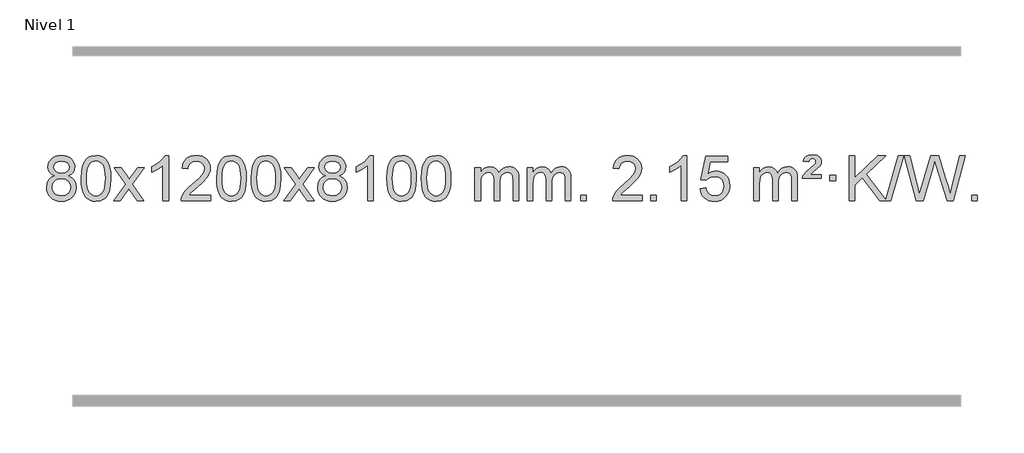
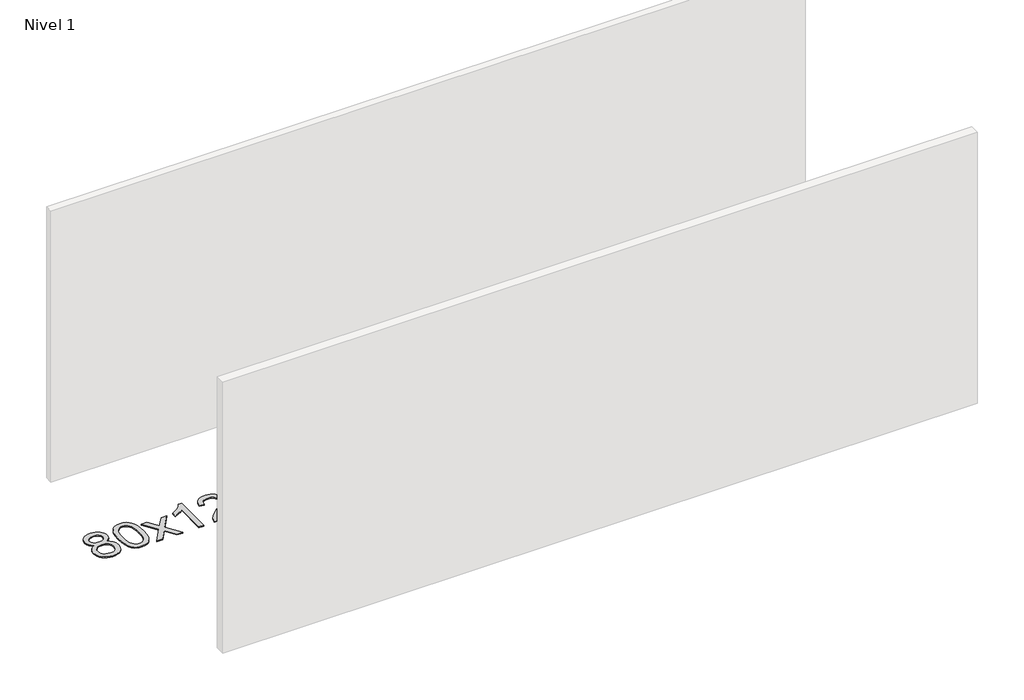
# One storey, part 7 of 8: 1 proxy.
"""IFC4 building model written with IfcOpenShell, lengths in millimetres."""

from ifc_helpers import new_model, si_unit, origin, origin_with_axes, place, context, project, spatial, polyline, outline, extrude, element, save

model = new_model("IFC4")

# Units and contexts
model_context = context("Model", 3, world=origin())
ifc_project = project(units=[si_unit("LENGTHUNIT", "METRE", prefix="MILLI")], contexts=[model_context])

# Site, building, storey
site = spatial("IfcSite", under=ifc_project)
building = spatial("IfcBuilding", under=site)
storey = spatial("IfcBuildingStorey", under=building, Name="Nivel 1", Elevation=0.0)

# Proxy
placement = place(None, origin())
element("IfcBuildingElementProxy", 1, Name="Texto de modelo 1", ObjectType="Texto de modelo 1", at=placement, inside=storey, context=model_context, shape_type="SweptSolid", body=[
    extrude(outline(polyline([(-390.6331687, -6199.2616447), (-417.5253426, -6186.0178929), (-436.3976889, -6168.0652515), (-447.5445134, -6145.7716026), (-451.2601215, -6119.5048281), (-449.2367706, -6099.0199324), (-443.1667176, -6080.2395565), (-433.0499628, -6063.1637006), (-418.886506, -6047.7923645), (-401.3569289, -6035.088173), (-381.1418132, -6026.0137504), (-358.241159, -6020.5690969), (-332.6549663, -6018.7542124), (-306.9461462, -6020.6120165), (-283.8738137, -6026.1854287), (-263.4379689, -6035.4744491), (-245.6386117, -6048.4790776), (-231.2176375, -6064.1508506), (-220.9169416, -6081.4413044), (-214.7365241, -6100.3504389), (-212.6763849, -6120.8782543), (-216.3429421, -6146.2989001), (-227.3426138, -6168.2124043), (-245.7980272, -6186.0546811), (-271.8318097, -6199.2616447), (-240.9174594, -6215.1909351), (-218.415344, -6238.6495436), (-204.6933456, -6268.5092989), (-200.1193462, -6303.6420295), (-202.3879518, -6328.6947933), (-209.1937687, -6351.6628926), (-220.5367969, -6372.5463272), (-236.4170363, -6391.3450971), (-256.0006212, -6406.88198), (-278.4536857, -6417.9797536), (-303.7762297, -6424.6384177), (-331.9682532, -6426.8579724), (-360.1602768, -6424.6292206), (-385.4828208, -6417.9429654), (-407.9358852, -6406.7992066), (-427.5194701, -6391.1979443), (-443.3997096, -6372.26735), (-454.7427377, -6351.135595), (-461.5485547, -6327.8026795), (-463.8171603, -6302.2686033), (-459.0592198, -6265.7747094), (-444.7853984, -6235.7555386), (-421.73146, -6213.2411605), (-390.6331687, -6199.2616447)]), holes=[polyline([(-401.0319665, -6120.9763561), (-396.5805943, -6142.902123), (-383.2264779, -6160.413306), (-361.3620246, -6171.8912243), (-331.379642, -6175.717197), (-302.0962352, -6171.9157497), (-280.5628758, -6160.5114079), (-267.3191239, -6143.5888361), (-262.90454, -6123.232699), (-267.4662767, -6102.1040098), (-281.151487, -6084.629615), (-302.979152, -6072.8941794), (-331.9682532, -6068.9823675), (-361.1412954, -6072.8083402), (-382.9321723, -6084.2862585), (-396.5070179, -6101.1107284), (-401.0319665, -6120.9763561)]), polyline([(-413.5890052, -6300.5027698), (-411.4920778, -6319.7184726), (-405.2012957, -6338.3210389), (-393.5884874, -6354.5446349), (-375.5254815, -6366.623427), (-353.8940201, -6374.1282197), (-331.5758458, -6376.6298173), (-297.3873457, -6371.3691048), (-283.493669, -6364.7932141), (-271.7337079, -6355.5869672), (-255.6940529, -6331.6869002), (-250.3475012, -6302.0723996), (-255.8657312, -6271.9551269), (-272.4204209, -6247.5277625), (-284.4992131, -6238.0854579), (-298.6626699, -6231.3409547), (-333.2435775, -6225.9453521), (-366.953831, -6231.2673783), (-380.6911578, -6237.919911), (-392.3499514, -6247.2334569), (-408.2792418, -6271.1948375), (-413.5890052, -6300.5027698)])]), origin_with_axes(), (0.0, 0.0, 1.0), 10.0),
    extrude(outline(polyline([(-156.1697105, -6222.9041943), (-152.4786278, -6158.5861588), (-141.4053797, -6107.2911459), (-123.0603309, -6068.2343407), (-111.2022679, -6053.0009605), (-97.5538459, -6040.6309284), (-82.0690796, -6031.0598651), (-64.7019837, -6024.2233914), (-24.3208034, -6018.7542124), (6.6303351, -6021.991574), (34.3441121, -6031.7036586), (57.5206778, -6047.5103217), (74.8601825, -6069.0314184), (87.9567815, -6096.0830078), (98.4046302, -6128.4811488), (105.2472353, -6169.6226186), (107.5281037, -6222.9041943), (103.8738092, -6286.8543477), (92.9109257, -6338.0267333), (74.6762415, -6377.1203266), (62.8457697, -6392.3996922), (49.2065447, -6404.8341036), (33.7033843, -6414.4695462), (16.2811061, -6421.3520052), (-24.3208034, -6426.8579724), (-51.9855294, -6424.4667394), (-76.5109958, -6417.2930405), (-97.8972024, -6405.3368757), (-116.1441494, -6388.5982449), (-133.6553324, -6358.3399508), (-146.1633202, -6320.6381776), (-153.6681129, -6275.4929255), (-156.1697105, -6222.9041943)]), holes=[polyline([(-105.9415554, -6222.8060924), (-104.4700274, -6266.4706195), (-100.0554435, -6301.8148822), (-92.6978036, -6328.8388804), (-82.3971077, -6347.5426142), (-69.9381708, -6360.2682656), (-56.1058078, -6369.3580165), (-40.9000186, -6374.8118671), (-24.3208034, -6376.6298173), (-7.7415881, -6374.8057357), (7.464201, -6369.3334911), (21.296564, -6360.2130833), (33.7555009, -6347.4445124), (44.0561968, -6328.7101217), (51.4138367, -6301.6922549), (55.8284206, -6266.3909118), (57.2999486, -6222.8060924), (55.8774716, -6180.2973278), (51.6100404, -6145.5753989), (44.4976552, -6118.6403055), (34.5403158, -6099.4920476), (22.2898454, -6086.1440625), (8.2980668, -6076.6097875), (-7.4350198, -6070.8892225), (-24.9094146, -6068.9823675), (-41.4027907, -6070.6623619), (-56.3510624, -6075.7023452), (-69.7542298, -6084.1023175), (-81.6122928, -6095.8622786), (-92.2563452, -6116.708925), (-99.8592397, -6144.8151094), (-104.4209765, -6180.1808319), (-105.9415554, -6222.8060924)])]), origin_with_axes(), (0.0, 0.0, 1.0), 10.0),
    extrude(outline(polyline([(132.6421812, -6420.579453), (239.9656219, -6272.2494325), (138.9207006, -6125.4890419), (199.3514497, -6125.4890419), (248.1080768, -6196.122385), (270.8677095, -6229.4770192), (290.5861845, -6202.2047007), (346.1118403, -6125.4890419), (406.5425894, -6125.4890419), (300.396371, -6272.2494325), (402.6185147, -6420.579453), (342.1877657, -6420.579453), (280.6778961, -6331.4048574), (269.3961816, -6315.1199477), (193.0729303, -6420.579453), (132.6421812, -6420.579453)])), origin_with_axes(), (0.0, 0.0, 1.0), 10.0),
    extrude(outline(polyline([(622.3666932, -6420.579453), (572.1385381, -6420.579453), (572.1385381, -6107.4382987), (551.1692644, -6124.3976587), (524.5591334, -6141.3324932), (471.682228, -6166.6918254), (471.682228, -6119.2105225), (511.1314406, -6097.7507395), (545.3076779, -6072.219729), (572.2489027, -6045.0700378), (589.9930776, -6018.7542124), (622.3666932, -6018.7542124), (622.3666932, -6420.579453)])), origin_with_axes(), (0.0, 0.0, 1.0), 10.0),
    extrude(outline(polyline([(999.0778563, -6370.3512979), (999.0778563, -6420.579453), (735.3800421, -6420.579453), (736.4836881, -6402.8965918), (740.7756447, -6385.9494945), (753.1610052, -6358.8856424), (771.2853248, -6332.6311307), (797.5030484, -6305.1503456), (834.1686206, -6274.4076736), (888.3699012, -6226.2641831), (920.8906695, -6190.7267824), (937.1510537, -6161.884834), (942.5711818, -6133.8277005), (937.4576221, -6108.6768347), (922.1169429, -6087.7688747), (898.535707, -6073.6789943), (868.7004772, -6068.9823675), (837.3691939, -6073.5686297), (813.0276686, -6087.3274163), (797.3191074, -6109.1796068), (791.8867166, -6138.0460807), (741.6585615, -6131.7675613), (745.9781093, -6105.838012), (753.8354555, -6083.1826125), (765.2306003, -6063.8013627), (780.1635437, -6047.6942627), (798.290929, -6035.0329907), (819.2693997, -6025.989225), (843.098956, -6020.5629655), (869.7795977, -6018.7542124), (896.6993627, -6020.7653006), (920.6576776, -6026.7985654), (941.6545425, -6036.8540066), (959.6899573, -6050.9316242), (974.1753109, -6067.9890861), (984.521992, -6086.9840598), (990.7300007, -6107.9165453), (992.7993369, -6130.7865427), (990.5675194, -6154.8092369), (983.8720671, -6178.4149983), (971.9894787, -6202.4254299), (954.1962528, -6227.6621347), (925.832551, -6257.7916701), (882.2385346, -6296.4805933), (824.4565359, -6344.795762), (801.795005, -6370.3512979), (999.0778563, -6370.3512979)])), origin_with_axes(), (0.0, 0.0, 1.0), 10.0),
    extrude(outline(polyline([(1049.3060113, -6222.9041943), (1052.997094, -6158.5861588), (1064.0703421, -6107.2911459), (1082.4153909, -6068.2343407), (1094.2734539, -6053.0009605), (1107.9218759, -6040.6309284), (1123.4066422, -6031.0598651), (1140.7737381, -6024.2233914), (1181.1549184, -6018.7542124), (1212.1060569, -6021.991574), (1239.8198339, -6031.7036586), (1262.9963996, -6047.5103217), (1280.3359043, -6069.0314184), (1293.4325033, -6096.0830078), (1303.880352, -6128.4811488), (1310.7229571, -6169.6226186), (1313.0038255, -6222.9041943), (1309.349531, -6286.8543477), (1298.3866475, -6338.0267333), (1280.1519633, -6377.1203266), (1268.3214915, -6392.3996922), (1254.6822665, -6404.8341036), (1239.1791061, -6414.4695462), (1221.7568279, -6421.3520052), (1181.1549184, -6426.8579724), (1153.4901924, -6424.4667394), (1128.964726, -6417.2930405), (1107.5785194, -6405.3368757), (1089.3315724, -6388.5982449), (1071.8203894, -6358.3399508), (1059.3124016, -6320.6381776), (1051.8076089, -6275.4929255), (1049.3060113, -6222.9041943)]), holes=[polyline([(1099.5341664, -6222.8060924), (1101.0056944, -6266.4706195), (1105.4202783, -6301.8148822), (1112.7779182, -6328.8388804), (1123.0786141, -6347.5426142), (1135.537551, -6360.2682656), (1149.369914, -6369.3580165), (1164.5757032, -6374.8118671), (1181.1549184, -6376.6298173), (1197.7341337, -6374.8057357), (1212.9399228, -6369.3334911), (1226.7722858, -6360.2130833), (1239.2312227, -6347.4445124), (1249.5319186, -6328.7101217), (1256.8895585, -6301.6922549), (1261.3041424, -6266.3909118), (1262.7756704, -6222.8060924), (1261.3531934, -6180.2973278), (1257.0857622, -6145.5753989), (1249.973377, -6118.6403055), (1240.0160376, -6099.4920476), (1227.7655672, -6086.1440625), (1213.7737886, -6076.6097875), (1198.040702, -6070.8892225), (1180.5663072, -6068.9823675), (1164.0729311, -6070.6623619), (1149.1246594, -6075.7023452), (1135.721492, -6084.1023175), (1123.863429, -6095.8622786), (1113.2193766, -6116.708925), (1105.6164821, -6144.8151094), (1101.0547453, -6180.1808319), (1099.5341664, -6222.8060924)])]), origin_with_axes(), (0.0, 0.0, 1.0), 10.0),
    extrude(outline(polyline([(1356.9534612, -6222.9041943), (1360.6445439, -6158.5861588), (1371.7177919, -6107.2911459), (1390.0628407, -6068.2343407), (1401.9209037, -6053.0009605), (1415.5693257, -6040.6309284), (1431.054092, -6031.0598651), (1448.4211879, -6024.2233914), (1488.8023682, -6018.7542124), (1519.7535068, -6021.991574), (1547.4672837, -6031.7036586), (1570.6438494, -6047.5103217), (1587.9833541, -6069.0314184), (1601.0799532, -6096.0830078), (1611.5278018, -6128.4811488), (1618.3704069, -6169.6226186), (1620.6512753, -6222.9041943), (1616.9969808, -6286.8543477), (1606.0340974, -6338.0267333), (1587.7994131, -6377.1203266), (1575.9689413, -6392.3996922), (1562.3297163, -6404.8341036), (1546.8265559, -6414.4695462), (1529.4042778, -6421.3520052), (1488.8023682, -6426.8579724), (1461.1376422, -6424.4667394), (1436.6121759, -6417.2930405), (1415.2259692, -6405.3368757), (1396.9790222, -6388.5982449), (1379.4678393, -6358.3399508), (1366.9598514, -6320.6381776), (1359.4550587, -6275.4929255), (1356.9534612, -6222.9041943)]), holes=[polyline([(1407.1816162, -6222.8060924), (1408.6531442, -6266.4706195), (1413.0677282, -6301.8148822), (1420.4253681, -6328.8388804), (1430.7260639, -6347.5426142), (1443.1850008, -6360.2682656), (1457.0173639, -6369.3580165), (1472.223153, -6374.8118671), (1488.8023682, -6376.6298173), (1505.3815835, -6374.8057357), (1520.5873726, -6369.3334911), (1534.4197356, -6360.2130833), (1546.8786725, -6347.4445124), (1557.1793684, -6328.7101217), (1564.5370083, -6301.6922549), (1568.9515923, -6266.3909118), (1570.4231202, -6222.8060924), (1569.0006432, -6180.2973278), (1564.733212, -6145.5753989), (1557.6208268, -6118.6403055), (1547.6634875, -6099.4920476), (1535.413017, -6086.1440625), (1521.4212385, -6076.6097875), (1505.6881518, -6070.8892225), (1488.213757, -6068.9823675), (1471.7203809, -6070.6623619), (1456.7721092, -6075.7023452), (1443.3689418, -6084.1023175), (1431.5108789, -6095.8622786), (1420.8668265, -6116.708925), (1413.2639319, -6144.8151094), (1408.7021952, -6180.1808319), (1407.1816162, -6222.8060924)])]), origin_with_axes(), (0.0, 0.0, 1.0), 10.0),
    extrude(outline(polyline([(1645.7653528, -6420.579453), (1753.0887936, -6272.2494325), (1652.0438722, -6125.4890419), (1712.4746213, -6125.4890419), (1761.2312484, -6196.122385), (1783.9908812, -6229.4770192), (1803.7093561, -6202.2047007), (1859.2350119, -6125.4890419), (1919.665761, -6125.4890419), (1813.5195426, -6272.2494325), (1915.7416864, -6420.579453), (1855.3109373, -6420.579453), (1793.8010677, -6331.4048574), (1782.5193532, -6315.1199477), (1706.1961019, -6420.579453), (1645.7653528, -6420.579453)])), origin_with_axes(), (0.0, 0.0, 1.0), 10.0),
    extrude(outline(polyline([(2020.3182749, -6199.2616447), (1993.426101, -6186.0178929), (1974.5537547, -6168.0652515), (1963.4069302, -6145.7716026), (1959.6913221, -6119.5048281), (1961.714673, -6099.0199324), (1967.784726, -6080.2395565), (1977.9014808, -6063.1637006), (1992.0649376, -6047.7923645), (2009.5945147, -6035.088173), (2029.8096303, -6026.0137504), (2052.7102845, -6020.5690969), (2078.2964773, -6018.7542124), (2104.0052974, -6020.6120165), (2127.0776299, -6026.1854287), (2147.5134747, -6035.4744491), (2165.3128319, -6048.4790776), (2179.7338061, -6064.1508506), (2190.034502, -6081.4413044), (2196.2149195, -6100.3504389), (2198.2750587, -6120.8782543), (2194.6085014, -6146.2989001), (2183.6088298, -6168.2124043), (2165.1534164, -6186.0546811), (2139.1196338, -6199.2616447), (2170.0339842, -6215.1909351), (2192.5360995, -6238.6495436), (2206.258098, -6268.5092989), (2210.8320974, -6303.6420295), (2208.5634918, -6328.6947933), (2201.7576749, -6351.6628926), (2190.4146467, -6372.5463272), (2174.5344072, -6391.3450971), (2154.9508224, -6406.88198), (2132.4977579, -6417.9797536), (2107.1752139, -6424.6384177), (2078.9831904, -6426.8579724), (2050.7911668, -6424.6292206), (2025.4686228, -6417.9429654), (2003.0155584, -6406.7992066), (1983.4319735, -6391.1979443), (1967.551734, -6372.26735), (1956.2087058, -6351.135595), (1949.4028889, -6327.8026795), (1947.1342833, -6302.2686033), (1951.8922238, -6265.7747094), (1966.1660452, -6235.7555386), (1989.2199835, -6213.2411605), (2020.3182749, -6199.2616447)]), holes=[polyline([(2009.9194771, -6120.9763561), (2014.3708493, -6142.902123), (2027.7249657, -6160.413306), (2049.589419, -6171.8912243), (2079.5718016, -6175.717197), (2108.8552084, -6171.9157497), (2130.3885678, -6160.5114079), (2143.6323197, -6143.5888361), (2148.0469036, -6123.232699), (2143.4851669, -6102.1040098), (2129.7999566, -6084.629615), (2107.9722916, -6072.8941794), (2078.9831904, -6068.9823675), (2049.8101481, -6072.8083402), (2028.0192713, -6084.2862585), (2014.4444257, -6101.1107284), (2009.9194771, -6120.9763561)]), polyline([(1997.3624384, -6300.5027698), (1999.4593657, -6319.7184726), (2005.7501479, -6338.3210389), (2017.3629562, -6354.5446349), (2035.4259621, -6366.623427), (2057.0574235, -6374.1282197), (2079.3755978, -6376.6298173), (2113.5640979, -6371.3691048), (2127.4577746, -6364.7932141), (2139.2177357, -6355.5869672), (2155.2573907, -6331.6869002), (2160.6039424, -6302.0723996), (2155.0857124, -6271.9551269), (2138.5310227, -6247.5277625), (2126.4522305, -6238.0854579), (2112.2887737, -6231.3409547), (2077.7078661, -6225.9453521), (2043.9976126, -6231.2673783), (2030.2602858, -6237.919911), (2018.6014922, -6247.2334569), (2002.6722018, -6271.1948375), (1997.3624384, -6300.5027698)])]), origin_with_axes(), (0.0, 0.0, 1.0), 10.0),
    extrude(outline(polyline([(2443.1373147, -6420.579453), (2392.9091596, -6420.579453), (2392.9091596, -6107.4382987), (2371.9398859, -6124.3976587), (2345.3297549, -6141.3324932), (2292.4528494, -6166.6918254), (2292.4528494, -6119.2105225), (2331.902062, -6097.7507395), (2366.0782994, -6072.219729), (2393.0195242, -6045.0700378), (2410.7636991, -6018.7542124), (2443.1373147, -6018.7542124), (2443.1373147, -6420.579453)])), origin_with_axes(), (0.0, 0.0, 1.0), 10.0),
    extrude(outline(polyline([(2562.429183, -6222.9041943), (2566.1202656, -6158.5861588), (2577.1935137, -6107.2911459), (2595.5385625, -6068.2343407), (2607.3966255, -6053.0009605), (2621.0450475, -6040.6309284), (2636.5298138, -6031.0598651), (2653.8969097, -6024.2233914), (2694.27809, -6018.7542124), (2725.2292286, -6021.991574), (2752.9430055, -6031.7036586), (2776.1195712, -6047.5103217), (2793.4590759, -6069.0314184), (2806.555675, -6096.0830078), (2817.0035236, -6128.4811488), (2823.8461287, -6169.6226186), (2826.1269971, -6222.9041943), (2822.4727026, -6286.8543477), (2811.5098192, -6338.0267333), (2793.2751349, -6377.1203266), (2781.4446631, -6392.3996922), (2767.8054381, -6404.8341036), (2752.3022777, -6414.4695462), (2734.8799996, -6421.3520052), (2694.27809, -6426.8579724), (2666.613364, -6424.4667394), (2642.0878976, -6417.2930405), (2620.701691, -6405.3368757), (2602.454744, -6388.5982449), (2584.9435611, -6358.3399508), (2572.4355732, -6320.6381776), (2564.9307805, -6275.4929255), (2562.429183, -6222.9041943)]), holes=[polyline([(2612.657338, -6222.8060924), (2614.128866, -6266.4706195), (2618.54345, -6301.8148822), (2625.9010899, -6328.8388804), (2636.2017857, -6347.5426142), (2648.6607226, -6360.2682656), (2662.4930856, -6369.3580165), (2677.6988748, -6374.8118671), (2694.27809, -6376.6298173), (2710.8573053, -6374.8057357), (2726.0630944, -6369.3334911), (2739.8954574, -6360.2130833), (2752.3543943, -6347.4445124), (2762.6550902, -6328.7101217), (2770.0127301, -6301.6922549), (2774.427314, -6266.3909118), (2775.898842, -6222.8060924), (2774.476365, -6180.2973278), (2770.2089338, -6145.5753989), (2763.0965486, -6118.6403055), (2753.1392093, -6099.4920476), (2740.8887388, -6086.1440625), (2726.8969603, -6076.6097875), (2711.1638736, -6070.8892225), (2693.6894788, -6068.9823675), (2677.1961027, -6070.6623619), (2662.247831, -6075.7023452), (2648.8446636, -6084.1023175), (2636.9866007, -6095.8622786), (2626.3425483, -6116.708925), (2618.7396537, -6144.8151094), (2614.1779169, -6180.1808319), (2612.657338, -6222.8060924)])]), origin_with_axes(), (0.0, 0.0, 1.0), 10.0),
    extrude(outline(polyline([(2870.0766328, -6222.9041943), (2873.7677155, -6158.5861588), (2884.8409635, -6107.2911459), (2903.1860124, -6068.2343407), (2915.0440753, -6053.0009605), (2928.6924974, -6040.6309284), (2944.1772637, -6031.0598651), (2961.5443595, -6024.2233914), (3001.9255399, -6018.7542124), (3032.8766784, -6021.991574), (3060.5904554, -6031.7036586), (3083.7670211, -6047.5103217), (3101.1065258, -6069.0314184), (3114.2031248, -6096.0830078), (3124.6509735, -6128.4811488), (3131.4935786, -6169.6226186), (3133.7744469, -6222.9041943), (3130.1201525, -6286.8543477), (3119.157269, -6338.0267333), (3100.9225848, -6377.1203266), (3089.0921129, -6392.3996922), (3075.452888, -6404.8341036), (3059.9497276, -6414.4695462), (3042.5274494, -6421.3520052), (3001.9255399, -6426.8579724), (2974.2608138, -6424.4667394), (2949.7353475, -6417.2930405), (2928.3491408, -6405.3368757), (2910.1021939, -6388.5982449), (2892.5910109, -6358.3399508), (2880.0830231, -6320.6381776), (2872.5782304, -6275.4929255), (2870.0766328, -6222.9041943)]), holes=[polyline([(2920.3047879, -6222.8060924), (2921.7763158, -6266.4706195), (2926.1908998, -6301.8148822), (2933.5485397, -6328.8388804), (2943.8492356, -6347.5426142), (2956.3081725, -6360.2682656), (2970.1405355, -6369.3580165), (2985.3463246, -6374.8118671), (3001.9255399, -6376.6298173), (3018.5047551, -6374.8057357), (3033.7105442, -6369.3334911), (3047.5429073, -6360.2130833), (3060.0018442, -6347.4445124), (3070.30254, -6328.7101217), (3077.6601799, -6301.6922549), (3082.0747639, -6266.3909118), (3083.5462919, -6222.8060924), (3082.1238148, -6180.2973278), (3077.8563837, -6145.5753989), (3070.7439984, -6118.6403055), (3060.7866591, -6099.4920476), (3048.5361887, -6086.1440625), (3034.5444101, -6076.6097875), (3018.8113234, -6070.8892225), (3001.3369287, -6068.9823675), (2984.8435526, -6070.6623619), (2969.8952808, -6075.7023452), (2956.4921135, -6084.1023175), (2944.6340505, -6095.8622786), (2933.9899981, -6116.708925), (2926.3871035, -6144.8151094), (2921.8253668, -6180.1808319), (2920.3047879, -6222.8060924)])]), origin_with_axes(), (0.0, 0.0, 1.0), 10.0),
    extrude(outline(polyline([(3347.244106, -6420.579453), (3347.244106, -6125.4890419), (3397.4722611, -6125.4890419), (3397.4722611, -6174.0494653), (3412.5799483, -6151.7435537), (3432.0041177, -6134.2691589), (3455.0825815, -6122.9751816), (3481.1531522, -6119.2105225), (3509.0876584, -6123.048758), (3531.4794092, -6134.5634645), (3548.2057772, -6152.9943524), (3559.1441352, -6177.5811324), (3577.4523959, -6152.0439906), (3598.3358304, -6133.803175), (3621.794439, -6122.8586857), (3647.8282215, -6119.2105225), (3667.9360383, -6120.7280358), (3685.585177, -6125.2805755), (3700.7756377, -6132.8681416), (3713.5074204, -6143.4907342), (3723.5720587, -6157.2709806), (3730.761086, -6174.3315082), (3735.0745024, -6194.6723168), (3736.5123078, -6218.2934066), (3736.5123078, -6420.579453), (3686.2841528, -6420.579453), (3686.2841528, -6239.875817), (3685.1191931, -6214.8230531), (3681.6243142, -6197.9372695), (3675.0760146, -6186.3735121), (3664.7507933, -6177.2868268), (3651.4702533, -6171.4007149), (3636.0559977, -6169.4386776), (3608.8449928, -6174.4663982), (3586.6617085, -6189.54956), (3578.0563355, -6201.1194488), (3571.9096405, -6215.7182326), (3566.9922845, -6254.0024856), (3566.9922845, -6420.579453), (3516.7641294, -6420.579453), (3516.7641294, -6234.2840106), (3513.8578616, -6205.8835206), (3505.1390583, -6185.6254854), (3489.7983791, -6173.4853796), (3467.0264836, -6169.4386776), (3447.6758907, -6172.1364789), (3429.8458767, -6180.2298828), (3415.1305968, -6193.5226856), (3405.1242066, -6211.8186835), (3399.3852475, -6237.2025411), (3397.4722611, -6271.7589232), (3397.4722611, -6420.579453), (3347.244106, -6420.579453)])), origin_with_axes(), (0.0, 0.0, 1.0), 10.0),
    extrude(outline(polyline([(3811.8545404, -6420.579453), (3811.8545404, -6125.4890419), (3862.0826955, -6125.4890419), (3862.0826955, -6174.0494653), (3877.1903828, -6151.7435537), (3896.6145521, -6134.2691589), (3919.693016, -6122.9751816), (3945.7635867, -6119.2105225), (3973.6980929, -6123.048758), (3996.0898436, -6134.5634645), (4012.8162117, -6152.9943524), (4023.7545697, -6177.5811324), (4042.0628303, -6152.0439906), (4062.9462649, -6133.803175), (4086.4048734, -6122.8586857), (4112.438656, -6119.2105225), (4132.5464727, -6120.7280358), (4150.1956114, -6125.2805755), (4165.3860721, -6132.8681416), (4178.1178548, -6143.4907342), (4188.1824931, -6157.2709806), (4195.3715204, -6174.3315082), (4199.6849368, -6194.6723168), (4201.1227423, -6218.2934066), (4201.1227423, -6420.579453), (4150.8945872, -6420.579453), (4150.8945872, -6239.875817), (4149.7296276, -6214.8230531), (4146.2347486, -6197.9372695), (4139.6864491, -6186.3735121), (4129.3612278, -6177.2868268), (4116.0806877, -6171.4007149), (4100.6664321, -6169.4386776), (4073.4554272, -6174.4663982), (4051.2721429, -6189.54956), (4042.6667699, -6201.1194488), (4036.5200749, -6215.7182326), (4031.6027189, -6254.0024856), (4031.6027189, -6420.579453), (3981.3745638, -6420.579453), (3981.3745638, -6234.2840106), (3978.4682961, -6205.8835206), (3969.7494928, -6185.6254854), (3954.4088136, -6173.4853796), (3931.6369181, -6169.4386776), (3912.2863251, -6172.1364789), (3894.4563111, -6180.2298828), (3879.7410313, -6193.5226856), (3869.734641, -6211.8186835), (3863.9956819, -6237.2025411), (3862.0826955, -6271.7589232), (3862.0826955, -6420.579453), (3811.8545404, -6420.579453)])), origin_with_axes(), (0.0, 0.0, 1.0), 10.0),
    extrude(outline(polyline([(4289.0220137, -6420.579453), (4289.0220137, -6370.3512979), (4339.2501687, -6370.3512979), (4339.2501687, -6420.579453), (4289.0220137, -6420.579453)])), origin_with_axes(), (0.0, 0.0, 1.0), 10.0),
    extrude(outline(polyline([(4835.2532001, -6370.3512979), (4835.2532001, -6420.579453), (4571.555386, -6420.579453), (4572.6590319, -6402.8965918), (4576.9509885, -6385.9494945), (4589.3363491, -6358.8856424), (4607.4606687, -6332.6311307), (4633.6783922, -6305.1503456), (4670.3439644, -6274.4076736), (4724.545245, -6226.2641831), (4757.0660134, -6190.7267824), (4773.3263976, -6161.884834), (4778.7465256, -6133.8277005), (4773.6329659, -6108.6768347), (4758.2922867, -6087.7688747), (4734.7110508, -6073.6789943), (4704.875821, -6068.9823675), (4673.5445377, -6073.5686297), (4649.2030124, -6087.3274163), (4633.4944512, -6109.1796068), (4628.0620604, -6138.0460807), (4577.8339053, -6131.7675613), (4582.1534531, -6105.838012), (4590.0107994, -6083.1826125), (4601.4059442, -6063.8013627), (4616.3388875, -6047.6942627), (4634.4662728, -6035.0329907), (4655.4447436, -6025.989225), (4679.2742998, -6020.5629655), (4705.9549415, -6018.7542124), (4732.8747065, -6020.7653006), (4756.8330215, -6026.7985654), (4777.8298863, -6036.8540066), (4795.8653011, -6050.9316242), (4810.3506547, -6067.9890861), (4820.6973358, -6086.9840598), (4826.9053445, -6107.9165453), (4828.9746807, -6130.7865427), (4826.7428633, -6154.8092369), (4820.047411, -6178.4149983), (4808.1648225, -6202.4254299), (4790.3715967, -6227.6621347), (4762.0078949, -6257.7916701), (4718.4138784, -6296.4805933), (4660.6318797, -6344.795762), (4637.9703488, -6370.3512979), (4835.2532001, -6370.3512979)])), origin_with_axes(), (0.0, 0.0, 1.0), 10.0),
    extrude(outline(polyline([(4910.5954327, -6420.579453), (4910.5954327, -6370.3512979), (4960.8235878, -6370.3512979), (4960.8235878, -6420.579453), (4910.5954327, -6420.579453)])), origin_with_axes(), (0.0, 0.0, 1.0), 10.0),
    extrude(outline(polyline([(5230.7999213, -6420.579453), (5180.5717662, -6420.579453), (5180.5717662, -6107.4382987), (5159.6024925, -6124.3976587), (5132.9923615, -6141.3324932), (5080.1154561, -6166.6918254), (5080.1154561, -6119.2105225), (5119.5646687, -6097.7507395), (5153.7409061, -6072.219729), (5180.6821308, -6045.0700378), (5198.4263057, -6018.7542124), (5230.7999213, -6018.7542124), (5230.7999213, -6420.579453)])), origin_with_axes(), (0.0, 0.0, 1.0), 10.0),
    extrude(outline(polyline([(5350.0917896, -6313.8446235), (5400.3199447, -6307.5661041), (5409.54152, -6337.7201649), (5425.630226, -6359.3148381), (5448.5124861, -6372.3010725), (5478.1147239, -6376.6298173), (5497.2445877, -6375.1245668), (5514.1181085, -6370.6088153), (5528.7352865, -6363.0825628), (5541.0961215, -6352.5458094), (5550.9247021, -6339.519721), (5557.9451169, -6324.5254641), (5563.5614487, -6288.6324441), (5558.3007361, -6254.8363514), (5551.7248455, -6240.9181493), (5542.5185986, -6228.9865099), (5530.6513385, -6219.4154467), (5516.0924086, -6212.5789729), (5478.8995389, -6207.1097939), (5454.533488, -6209.2925604), (5434.8027504, -6215.8408599), (5419.0451382, -6225.8717757), (5406.5984641, -6238.5023908), (5356.370309, -6232.2238715), (5400.3199447, -6025.0327318), (5594.9540456, -6025.0327318), (5594.9540456, -6075.2608869), (5440.934117, -6075.2608869), (5419.4498084, -6185.919791), (5437.1755892, -6173.2155994), (5455.3305657, -6164.1411769), (5473.9147378, -6158.6965234), (5492.9281056, -6156.8816388), (5517.3891926, -6159.1318504), (5539.8575855, -6165.882485), (5560.3332842, -6177.1335427), (5578.8162887, -6192.8850234), (5594.1171141, -6212.1743027), (5605.046275, -6234.038756), (5611.6037716, -6258.4783832), (5613.7896038, -6285.4931844), (5611.8214351, -6311.5147042), (5605.9169291, -6335.7213394), (5596.0760857, -6358.1130902), (5582.298905, -6378.6899565), (5561.4277331, -6399.7634634), (5537.073945, -6414.8159684), (5509.2375407, -6423.8474714), (5477.9185202, -6426.8579724), (5451.998168, -6424.9235262), (5428.5855447, -6419.1201877), (5407.6806503, -6409.447957), (5389.2834848, -6395.9068338), (5373.9765281, -6379.1712688), (5362.3422601, -6359.915712), (5354.3806805, -6338.1401636), (5350.0917896, -6313.8446235)])), origin_with_axes(), (0.0, 0.0, 1.0), 10.0),
    extrude(outline(polyline([(5827.2592628, -6420.579453), (5827.2592628, -6125.4890419), (5877.4874179, -6125.4890419), (5877.4874179, -6174.0494653), (5892.5951052, -6151.7435537), (5912.0192745, -6134.2691589), (5935.0977383, -6122.9751816), (5961.1683091, -6119.2105225), (5989.1028152, -6123.048758), (6011.494566, -6134.5634645), (6028.2209341, -6152.9943524), (6039.159292, -6177.5811324), (6057.4675527, -6152.0439906), (6078.3509873, -6133.803175), (6101.8095958, -6122.8586857), (6127.8433783, -6119.2105225), (6147.9511951, -6120.7280358), (6165.6003338, -6125.2805755), (6180.7907945, -6132.8681416), (6193.5225772, -6143.4907342), (6203.5872155, -6157.2709806), (6210.7762428, -6174.3315082), (6215.0896592, -6194.6723168), (6216.5274647, -6218.2934066), (6216.5274647, -6420.579453), (6166.2993096, -6420.579453), (6166.2993096, -6239.875817), (6165.1343499, -6214.8230531), (6161.639471, -6197.9372695), (6155.0911715, -6186.3735121), (6144.7659501, -6177.2868268), (6131.4854101, -6171.4007149), (6116.0711545, -6169.4386776), (6088.8601496, -6174.4663982), (6066.6768653, -6189.54956), (6058.0714923, -6201.1194488), (6051.9247973, -6215.7182326), (6047.0074413, -6254.0024856), (6047.0074413, -6420.579453), (5996.7792862, -6420.579453), (5996.7792862, -6234.2840106), (5993.8730184, -6205.8835206), (5985.1542152, -6185.6254854), (5969.813536, -6173.4853796), (5947.0416405, -6169.4386776), (5927.6910475, -6172.1364789), (5909.8610335, -6180.2298828), (5895.1457537, -6193.5226856), (5885.1393634, -6211.8186835), (5879.4004043, -6237.2025411), (5877.4874179, -6271.7589232), (5877.4874179, -6420.579453), (5827.2592628, -6420.579453)])), origin_with_axes(), (0.0, 0.0, 1.0), 10.0),
    extrude(outline(polyline([(6260.4771003, -6219.6668327), (6264.3030731, -6203.8479069), (6272.6417317, -6187.9799302), (6294.1505656, -6162.8413272), (6326.1072483, -6135.1030247), (6370.2530877, -6097.726214), (6377.3899984, -6086.1992448), (6379.7689686, -6074.3779701), (6377.8805077, -6062.2869152), (6372.215125, -6052.5012541), (6362.8463969, -6046.026531), (6349.8478997, -6043.8682899), (6337.4134883, -6045.4869707), (6328.5597949, -6050.343013), (6322.1341227, -6059.8098431), (6316.9837748, -6075.2608869), (6266.7556197, -6068.9823675), (6277.5958759, -6043.7701881), (6294.224142, -6026.2099542), (6317.9893189, -6015.9092583), (6350.2403072, -6012.475693), (6386.0229626, -6016.6082341), (6410.7691581, -6029.0058573), (6425.1901323, -6047.3386434), (6429.9971237, -6069.2766731), (6425.9013708, -6092.1834586), (6413.6141122, -6113.8149199), (6393.0862969, -6133.6314968), (6356.6169284, -6161.6886303), (6331.0123416, -6188.2742358), (6429.9971237, -6188.2742358), (6429.9971237, -6219.6668327), (6260.4771003, -6219.6668327)])), origin_with_axes(), (0.0, 0.0, 1.0), 10.0),
    extrude(outline(polyline([(6505.3393563, -6244.7809102), (6505.3393563, -6194.5527552), (6555.5675114, -6194.5527552), (6555.5675114, -6244.7809102), (6505.3393563, -6244.7809102)])), origin_with_axes(), (0.0, 0.0, 1.0), 10.0),
    extrude(outline(polyline([(6946.2091394, -6420.579453), (6792.7778219, -6217.9009991), (6725.0875348, -6282.4520265), (6725.0875348, -6420.579453), (6674.8593797, -6420.579453), (6674.8593797, -6018.7542124), (6725.0875348, -6018.7542124), (6725.0875348, -6215.4484525), (6931.1014521, -6018.7542124), (7001.3423877, -6018.7542124), (6828.388799, -6183.9577537), (7003.0424089, -6414.5349332), (7114.3557366, -6018.7542124), (7159.6787984, -6018.7542124), (7046.6654495, -6420.579453), (7007.6209071, -6420.579453), (7001.3423877, -6420.579453), (6946.2091394, -6420.579453)])), origin_with_axes(), (0.0, 0.0, 1.0), 10.0),
    extrude(outline(polyline([(7274.1636753, -6420.579453), (7164.5838917, -6018.7542124), (7216.3816766, -6018.7542124), (7279.9516854, -6282.844434), (7299.5720585, -6364.3670841), (7320.5658576, -6292.2622131), (7400.2245723, -6018.7542124), (7474.8800919, -6018.7542124), (7532.7601925, -6217.0180823), (7557.5554389, -6290.5944814), (7575.8269114, -6364.3670841), (7594.8586732, -6285.1988788), (7659.0172932, -6018.7542124), (7710.8150781, -6018.7542124), (7601.1371926, -6420.579453), (7547.4754723, -6420.579453), (7451.1394405, -6110.5775584), (7437.6994849, -6067.3146358), (7422.5917976, -6119.4067263), (7334.7906281, -6420.579453), (7274.1636753, -6420.579453)])), origin_with_axes(), (0.0, 0.0, 1.0), 10.0),
    extrude(outline(polyline([(7767.3217526, -6420.579453), (7767.3217526, -6370.3512979), (7817.5499077, -6370.3512979), (7817.5499077, -6420.579453), (7767.3217526, -6420.579453)])), origin_with_axes(), (0.0, 0.0, 1.0), 10.0),
])

save(model, "model.ifc")
